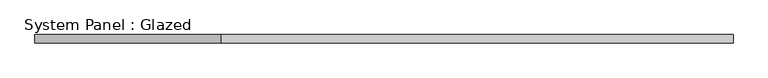
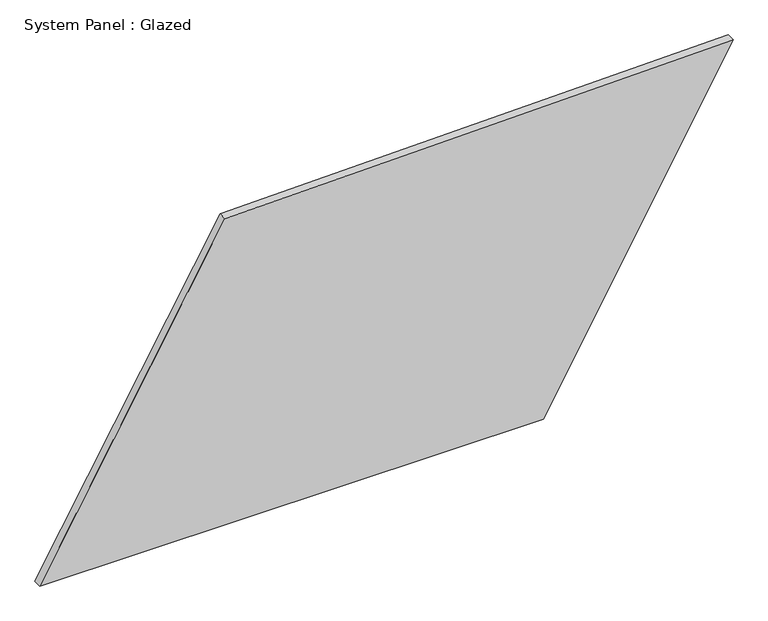
"""IFC4 building model written with IfcOpenShell, lengths in millimetres: plate geometry, System Panel : Glazed."""

from ifc_helpers import new_model, si_unit, frame, origin, place, context, project, spatial, polyline, outline, extrude, source, transform, mapped, element, save


def system_panel_glazed_a28e5393(model_context):
    return source(origin(), model_context, "Body", "SweptSolid", [
        extrude(outline(polyline([(0.0, -1070.1411885), (0.0, 484.234778), (1033.8262485, 1070.1411885), (998.8548803, -498.4333215), (0.0, -1070.1411885)])), frame((0.0, -49.5, 0.0), z_axis=(0.0, 1.0, 0.0), x_axis=(0.0, 0.0, 1.0)), (0.0, 0.0, 1.0), 25.0),
    ])


if __name__ == "__main__":
    model = new_model("IFC4")
    model_context = context("Model", 3, world=origin())
    ifc_project = project(units=[si_unit("LENGTHUNIT", "METRE", prefix="MILLI")], contexts=[model_context])
    site = spatial("IfcSite", under=ifc_project)
    building = spatial("IfcBuilding", under=site)
    placement = place(None, origin())
    system_panel_glazed_shape = system_panel_glazed_a28e5393(model_context)
    element("IfcPlate", 1, ObjectType="System Panel : Glazed", at=placement, inside=building, context=model_context, shape_type="MappedRepresentation", body=[
        mapped(system_panel_glazed_shape, transform((0.0, 0.0, 0.0), x_axis=(1.0, 0.0, 0.0), y_axis=(0.0, 1.0, 0.0), z_axis=(0.0, 0.0, 1.0))),
    ])
    save(model, "model.ifc")
